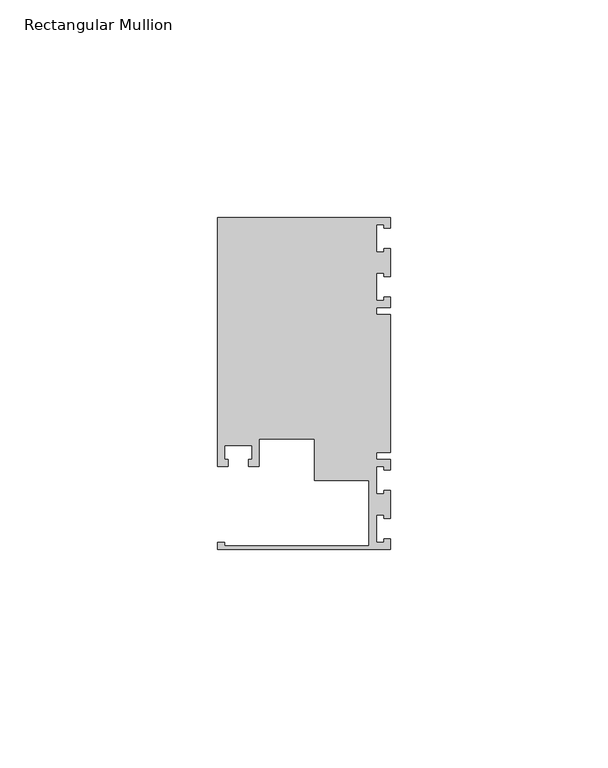
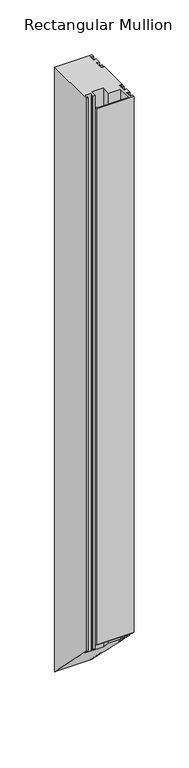
"""IFC4 building model written with IfcOpenShell, lengths in millimetres: member geometry, Rectangular Mullion."""

from ifc_helpers import new_model, si_unit, origin, place, context, project, spatial, faceted_brep, source, transform, mapped, element, save


def rectangular_mullion_0e304656(model_context):
    return source(origin(), model_context, "Body", "Brep", [
        faceted_brep([(0.0, -38.1, 0.0), (0.0, -35.71875, 0.0), (-1.4999946, -35.71875, 0.0), (-1.4999946, -36.5125, 0.0), (-3.175, -36.5125, 0.0), (-3.175, -30.1625, 0.0), (-1.4999946, -30.1625, 0.0), (-1.4999946, -30.95625, 0.0), (0.0, -30.95625, 0.0), (0.0, -24.60625, 0.0), (-1.4999946, -24.60625, 0.0), (-1.4999946, -25.4, 0.0), (-3.175, -25.4, 0.0), (-3.175, -19.05, 0.0), (-1.4999946, -19.05, 0.0), (-1.4999946, -19.84375, 0.0), (0.0, -19.84375, 0.0), (0.0, -17.4625, 0.0), (-3.175, -17.4625, 0.0), (-3.175, -15.875, 0.0), (0.0, -15.875, 0.0), (0.0, 15.875, 0.0), (-3.175, 15.875, 0.0), (-3.175, 17.4625, 0.0), (0.0, 17.4625, 0.0), (0.0, 19.84375, 0.0), (-1.4999946, 19.84375, 0.0), (-1.4999946, 19.05, 0.0), (-3.175, 19.05, 0.0), (-3.175, 25.4, 0.0), (-1.4999946, 25.4, 0.0), (-1.4999946, 24.60625, 0.0), (0.0, 24.60625, 0.0), (0.0, 30.95625, 0.0), (-1.4999946, 30.95625, 0.0), (-1.4999946, 30.1625, 0.0), (-3.175, 30.1625, 0.0), (-3.175, 36.5125, 0.0), (-1.4999946, 36.5125, 0.0), (-1.4999946, 35.71875, 0.0), (0.0, 35.71875, 0.0), (0.0, 38.1, 0.0), (-39.6875, 38.1, 0.0), (-39.6875, -19.05, 0.0), (-37.30625, -19.05, 0.0), (-37.30625, -17.4625, 0.0), (-38.1, -17.4625, 0.0), (-38.1, -14.2875, 0.0), (-31.75, -14.2875, 0.0), (-31.75, -17.4625, 0.0), (-32.54375, -17.4625, 0.0), (-32.54375, -19.05, 0.0), (-30.1625, -19.05, 0.0), (-30.1625, -12.6999969, 0.0), (-17.4625, -12.6999969, 0.0), (-17.4625, -22.225, 0.0), (-4.8585733, -22.225, 0.0), (-4.8585733, -37.30625, 0.0), (-38.1, -37.30625, 0.0), (-38.1, -36.5125, 0.0), (-39.6875, -36.5125, 0.0), (-39.6875, -38.1, 0.0), (0.0, -38.1, -596.9), (0.0, -35.71875, -599.28125), (-1.4999946, -35.71875, -599.28125), (-1.4999946, -36.5125, -598.4875), (-3.175, -36.5125, -598.4875), (-3.175, -30.1625, -604.8375), (-1.4999946, -30.1625, -604.8375), (-1.4999946, -30.95625, -604.04375), (0.0, -30.95625, -604.04375), (0.0, -24.60625, -610.39375), (-1.4999946, -24.60625, -610.39375), (-1.4999946, -25.4, -609.6), (-3.175, -25.4, -609.6), (-3.175, -19.05, -615.95), (-1.4999946, -19.05, -615.95), (-1.4999946, -19.84375, -615.15625), (0.0, -19.84375, -615.15625), (0.0, -17.4625, -617.5375), (-3.175, -17.4625, -617.5375), (-3.175, -15.875, -619.125), (0.0, -15.875, -619.125), (0.0, 15.875, -650.875), (-3.175, 15.875, -650.875), (-3.175, 17.4625, -652.4625), (0.0, 17.4625, -652.4625), (0.0, 19.84375, -654.84375), (-1.4999946, 19.84375, -654.84375), (-1.4999946, 19.05, -654.05), (-3.175, 19.05, -654.05), (-3.175, 25.4, -660.4), (-1.4999946, 25.4, -660.4), (-1.4999946, 24.60625, -659.60625), (0.0, 24.60625, -659.60625), (0.0, 30.95625, -665.95625), (-1.4999946, 30.95625, -665.95625), (-1.4999946, 30.1625, -665.1625), (-3.175, 30.1625, -665.1625), (-3.175, 36.5125, -671.5125), (-1.4999946, 36.5125, -671.5125), (-1.4999946, 35.71875, -670.71875), (0.0, 35.71875, -670.71875), (0.0, 38.1, -673.1), (-39.6875, 38.1, -673.1), (-39.6875, -19.05, -615.95), (-37.30625, -19.05, -615.95), (-37.30625, -17.4625, -617.5375), (-38.1, -17.4625, -617.5375), (-38.1, -14.2875, -620.7125), (-31.75, -14.2875, -620.7125), (-31.75, -17.4625, -617.5375), (-32.54375, -17.4625, -617.5375), (-32.54375, -19.05, -615.95), (-30.1625, -19.05, -615.95), (-30.1625, -12.6999969, -622.3000031), (-17.4625, -12.6999969, -622.3000031), (-17.4625, -22.225, -612.775), (-4.8585733, -22.225, -612.775), (-4.8585733, -37.30625, -597.69375), (-38.1, -37.30625, -597.69375), (-38.1, -36.5125, -598.4875), (-39.6875, -36.5125, -598.4875), (-39.6875, -38.1, -596.9)], [[[0, 1, 2, 3, 4, 5, 6, 7, 8, 9, 10, 11, 12, 13, 14, 15, 16, 17, 18, 19, 20, 21, 22, 23, 24, 25, 26, 27, 28, 29, 30, 31, 32, 33, 34, 35, 36, 37, 38, 39, 40, 41, 42, 43, 44, 45, 46, 47, 48, 49, 50, 51, 52, 53, 54, 55, 56, 57, 58, 59, 60, 61]], [[1, 0, 62, 63]], [[2, 1, 63, 64]], [[3, 2, 64, 65]], [[4, 3, 65, 66]], [[5, 4, 66, 67]], [[6, 5, 67, 68]], [[7, 6, 68, 69]], [[8, 7, 69, 70]], [[9, 8, 70, 71]], [[10, 9, 71, 72]], [[11, 10, 72, 73]], [[12, 11, 73, 74]], [[13, 12, 74, 75]], [[14, 13, 75, 76]], [[15, 14, 76, 77]], [[16, 15, 77, 78]], [[17, 16, 78, 79]], [[18, 17, 79, 80]], [[19, 18, 80, 81]], [[20, 19, 81, 82]], [[21, 20, 82, 83]], [[22, 21, 83, 84]], [[23, 22, 84, 85]], [[24, 23, 85, 86]], [[25, 24, 86, 87]], [[26, 25, 87, 88]], [[27, 26, 88, 89]], [[28, 27, 89, 90]], [[29, 28, 90, 91]], [[30, 29, 91, 92]], [[31, 30, 92, 93]], [[32, 31, 93, 94]], [[33, 32, 94, 95]], [[34, 33, 95, 96]], [[35, 34, 96, 97]], [[36, 35, 97, 98]], [[37, 36, 98, 99]], [[38, 37, 99, 100]], [[39, 38, 100, 101]], [[40, 39, 101, 102]], [[41, 40, 102, 103]], [[42, 41, 103, 104]], [[43, 42, 104, 105]], [[44, 43, 105, 106]], [[45, 44, 106, 107]], [[46, 45, 107, 108]], [[47, 46, 108, 109]], [[48, 47, 109, 110]], [[49, 48, 110, 111]], [[50, 49, 111, 112]], [[51, 50, 112, 113]], [[52, 51, 113, 114]], [[53, 52, 114, 115]], [[54, 53, 115, 116]], [[55, 54, 116, 117]], [[56, 55, 117, 118]], [[57, 56, 118, 119]], [[58, 57, 119, 120]], [[59, 58, 120, 121]], [[60, 59, 121, 122]], [[61, 60, 122, 123]], [[0, 61, 123, 62]], [[62, 123, 122, 121, 120, 119, 118, 117, 116, 115, 114, 113, 112, 111, 110, 109, 108, 107, 106, 105, 104, 103, 102, 101, 100, 99, 98, 97, 96, 95, 94, 93, 92, 91, 90, 89, 88, 87, 86, 85, 84, 83, 82, 81, 80, 79, 78, 77, 76, 75, 74, 73, 72, 71, 70, 69, 68, 67, 66, 65, 64, 63]]]),
    ])


if __name__ == "__main__":
    model = new_model("IFC4")
    model_context = context("Model", 3, world=origin())
    ifc_project = project(units=[si_unit("LENGTHUNIT", "METRE", prefix="MILLI")], contexts=[model_context])
    site = spatial("IfcSite", under=ifc_project)
    building = spatial("IfcBuilding", under=site)
    placement = place(None, origin())
    rectangular_mullion_shape = rectangular_mullion_0e304656(model_context)
    element("IfcMember", 1, ObjectType="Rectangular Mullion", at=placement, inside=building, context=model_context, shape_type="MappedRepresentation", body=[
        mapped(rectangular_mullion_shape, transform((0.0, 0.0, 0.0), x_axis=(1.0, 0.0, 0.0), y_axis=(0.0, 1.0, 0.0), z_axis=(0.0, 0.0, 1.0))),
    ])
    save(model, "model.ifc")
